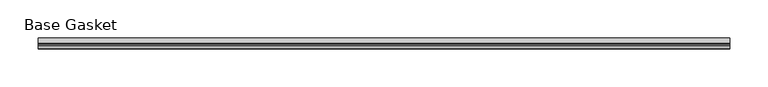
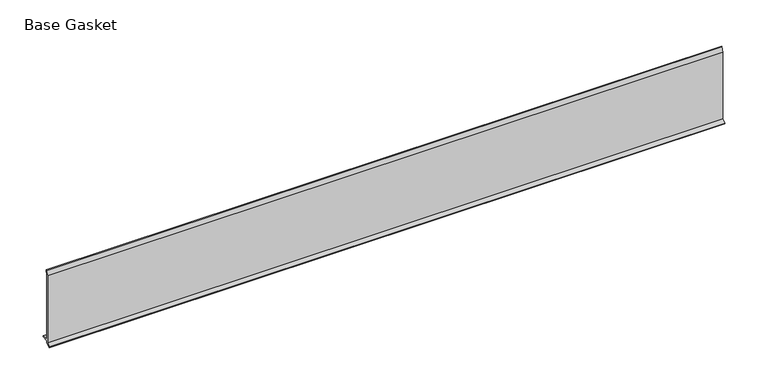
"""IFC4 building model written with IfcOpenShell, lengths in millimetres: furniture geometry, Base Gasket."""

from ifc_helpers import new_model, si_unit, frame, origin, place, context, project, spatial, polyline, outline, extrude, source, transform, mapped, element, save


def base_gasket_17d947b1(model_context):
    return source(origin(), model_context, "Body", "SweptSolid", [
        extrude(outline(polyline([(-3.7283812, 98.4568417), (-1.1891543, 104.587663), (-0.6755308, 105.2002997), (-0.6755308, 104.4162708), (-2.2043812, 98.4568417), (-2.2043812, 96.8693477), (-1.4106313, 96.8693477), (-1.4106313, 71.4693447), (-2.2043812, 71.4693447), (-2.2043812, 7.9398773), (6.2405171, 7.9398773), (6.2405171, 6.3818476), (-2.1334222, 6.3818476), (-2.2043812, 4.3498477), (-6.8281054, 0.3520979), (-7.8482342, 0.0), (-7.4222115, 0.6560174), (-3.7283812, 4.3498477), (-3.7283812, 98.4568417)])), frame((-1527.8982117, 0.0, 0.0), z_axis=(1.0, 0.0, 0.0), x_axis=(0.0, 1.0, 0.0)), (0.0, 0.0, 1.0), 901.5681744),
    ])


if __name__ == "__main__":
    model = new_model("IFC4")
    model_context = context("Model", 3, world=origin())
    ifc_project = project(units=[si_unit("LENGTHUNIT", "METRE", prefix="MILLI")], contexts=[model_context])
    site = spatial("IfcSite", under=ifc_project)
    building = spatial("IfcBuilding", under=site)
    placement = place(None, origin())
    base_gasket_shape = base_gasket_17d947b1(model_context)
    element("IfcFurniture", 1, ObjectType="Base Gasket", at=placement, inside=building, context=model_context, shape_type="MappedRepresentation", body=[
        mapped(base_gasket_shape, transform((0.0, 0.0, 0.0), x_axis=(1.0, 0.0, 0.0), y_axis=(0.0, 1.0, 0.0), z_axis=(0.0, 0.0, 1.0))),
    ])
    save(model, "model.ifc")
